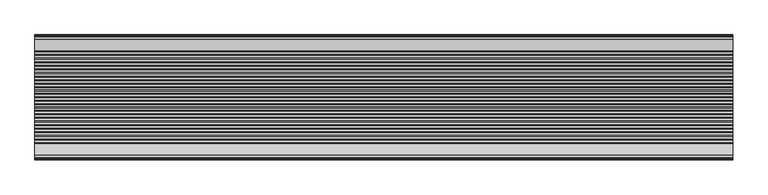
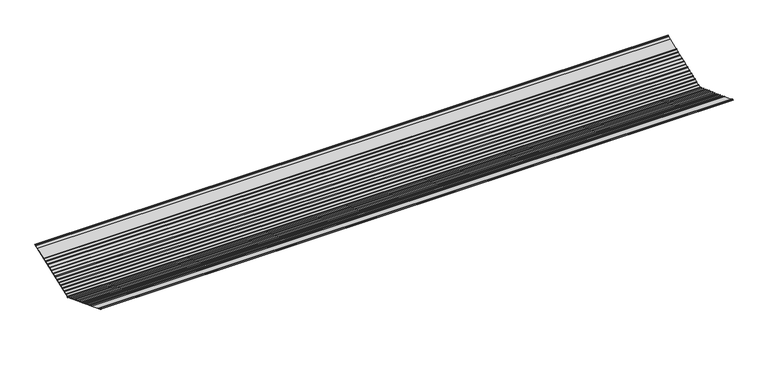
"""IFC4 building model written with IfcOpenShell, lengths in millimetres: proxy geometry."""

from ifc_helpers import new_model, si_unit, frame, origin, place, context, project, spatial, polyline, outline, extrude, source, transform, mapped, element, save


def generic_models_816b4ba8(model_context):
    return source(origin(), model_context, "Body", "SweptSolid", [
        extrude(outline(polyline([(0.0, 0.0), (-213.3651896, 81.0498324), (-213.0880512, 81.7794044), (-211.2341751, 81.0678863), (-209.8795064, 82.9782377), (-208.7651548, 82.5550524), (-209.0773473, 80.3730955), (-207.783702, 82.1686162), (-206.7651361, 81.7819192), (-207.0737263, 79.7296478), (-197.4076638, 76.0578551), (-157.2654351, 60.8092529), (-155.3049654, 62.1887497), (-154.8501517, 59.8917728), (-145.4339591, 56.3148967), (-143.4754085, 57.6930431), (-143.1518961, 55.4480223), (-133.3217775, 51.7139106), (-130.784519, 52.9461515), (-129.9897181, 50.4481799), (-119.8386274, 46.5921423), (-118.1300437, 47.8088788), (-117.548986, 45.7223891), (-108.2365597, 42.1849302), (-106.3211942, 43.5489226), (-105.836204, 41.2731206), (-96.6187187, 37.7717264), (-94.6693655, 39.1349956), (-94.162345, 36.8386376), (-84.7479808, 33.2624561), (-81.6068622, 35.4625237), (-80.8334207, 31.7754542), (-71.0797898, 28.0703974), (-68.6183646, 30.5395227), (-68.6402863, 27.143717), (-59.6189543, 23.7168344), (-57.150776, 26.1927338), (-56.9414965, 22.6997636), (-48.0944422, 19.3390829), (-45.4254677, 21.7483601), (-45.2528977, 18.2596814), (-36.2796017, 14.851046), (-33.8435347, 17.35839), (-33.6507922, 13.852455), (-24.7093715, 10.4559279), (-22.1714387, 12.9396084), (-22.0986394, 9.4642038), (-13.0286754, 6.0188477), (-10.533745, 8.5900284), (-10.3327382, 4.9947572), (-1.3921059, 1.5985296), (1.2007398, 4.145646), (1.4798641, 0.1190074), (0.0, 0.0)])), frame((0.0, 0.0, 0.0), z_axis=(1.0, 0.0, 0.0), x_axis=(0.0, 1.0, 0.0)), (0.0, 0.0, 1.0), 2380.0),
        extrude(outline(polyline([(0.0, 0.0), (-1.4798641, 0.1190074), (-1.2007398, 4.145646), (1.3921059, 1.5985296), (10.3327382, 4.9947572), (10.533745, 8.5900284), (13.0286754, 6.0188477), (22.0986394, 9.4642038), (22.1714387, 12.9396084), (24.7093715, 10.4559279), (33.6507922, 13.852455), (33.8435347, 17.35839), (36.2796017, 14.851046), (45.2528977, 18.2596814), (45.4254677, 21.7483601), (48.0944422, 19.3390829), (56.9414965, 22.6997636), (57.150776, 26.1927338), (59.6189543, 23.7168344), (68.6402863, 27.143717), (68.6183646, 30.5395227), (71.0797898, 28.0703974), (80.8334207, 31.7754542), (81.6068622, 35.4625237), (84.7479808, 33.2624561), (94.162345, 36.8386376), (94.6693655, 39.1349956), (96.6187187, 37.7717264), (105.836204, 41.2731206), (106.3211942, 43.5489226), (108.2365597, 42.1849302), (117.548986, 45.7223891), (118.1300437, 47.8088788), (119.8386274, 46.5921423), (129.9897181, 50.4481799), (130.784519, 52.9461515), (133.3217775, 51.7139106), (143.1518961, 55.4480223), (143.4754085, 57.6930431), (145.4339591, 56.3148967), (154.8501517, 59.8917728), (155.3049654, 62.1887497), (157.2654351, 60.8092529), (197.4076638, 76.0578551), (207.0737263, 79.7296478), (206.7651361, 81.7819192), (207.783702, 82.1686162), (209.0773473, 80.3730955), (208.7651548, 82.5550524), (209.8795064, 82.9782377), (211.2341751, 81.0678863), (213.0880512, 81.7794044), (213.3651896, 81.0498324), (0.0, 0.0)])), frame((0.0, 0.0, 0.0), z_axis=(1.0, 0.0, 0.0), x_axis=(0.0, 1.0, 0.0)), (0.0, 0.0, 1.0), 2380.0),
    ])


if __name__ == "__main__":
    model = new_model("IFC4")
    model_context = context("Model", 3, world=origin())
    ifc_project = project(units=[si_unit("LENGTHUNIT", "METRE", prefix="MILLI")], contexts=[model_context])
    site = spatial("IfcSite", under=ifc_project)
    building = spatial("IfcBuilding", under=site)
    placement = place(None, origin())
    generic_models_shape = generic_models_816b4ba8(model_context)
    element("IfcBuildingElementProxy", 1, Name="Generic Models", at=placement, inside=building, context=model_context, shape_type="MappedRepresentation", body=[
        mapped(generic_models_shape, transform((0.0, 0.0, 0.0), x_axis=(1.0, 0.0, 0.0), y_axis=(0.0, 1.0, 0.0), z_axis=(0.0, 0.0, 1.0))),
    ])
    save(model, "model.ifc")
